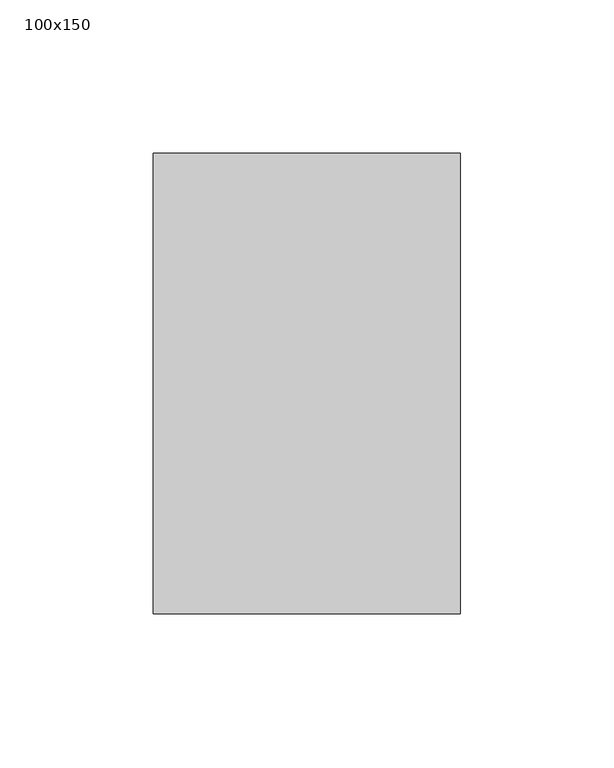
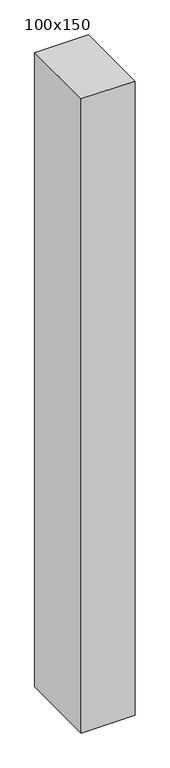
"""IFC4 building model written with IfcOpenShell, lengths in millimetres: member geometry, 100x150."""

from ifc_helpers import new_model, si_unit, frame, origin, place, context, project, spatial, polyline, outline, extrude, source, transform, mapped, element, save


def member_100x150_5209bdcb(model_context):
    return source(origin(), model_context, "Body", "SweptSolid", [
        extrude(outline(polyline([(50.0, 75.0), (50.0, -75.0), (-50.0, -75.0), (-50.0, 75.0), (50.0, 75.0)])), frame((0.0, 0.0, -1246.861911), z_axis=(0.0, 0.0, 1.0), x_axis=(1.0, 0.0, 0.0)), (0.0, 0.0, 1.0), 1246.861911),
    ])


if __name__ == "__main__":
    model = new_model("IFC4")
    model_context = context("Model", 3, world=origin())
    ifc_project = project(units=[si_unit("LENGTHUNIT", "METRE", prefix="MILLI")], contexts=[model_context])
    site = spatial("IfcSite", under=ifc_project)
    building = spatial("IfcBuilding", under=site)
    placement = place(None, origin())
    member_100x150_shape = member_100x150_5209bdcb(model_context)
    element("IfcMember", 1, ObjectType="100x150", at=placement, inside=building, context=model_context, shape_type="MappedRepresentation", body=[
        mapped(member_100x150_shape, transform((0.0, 0.0, 0.0), x_axis=(1.0, 0.0, 0.0), y_axis=(0.0, 1.0, 0.0), z_axis=(0.0, 0.0, 1.0))),
    ])
    save(model, "model.ifc")
